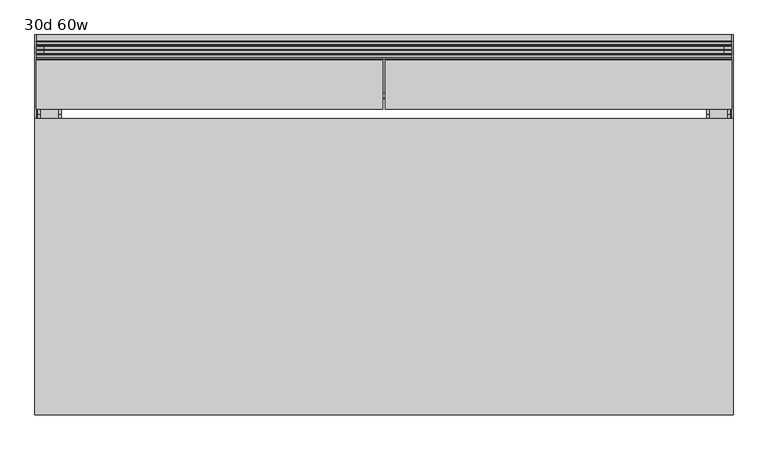
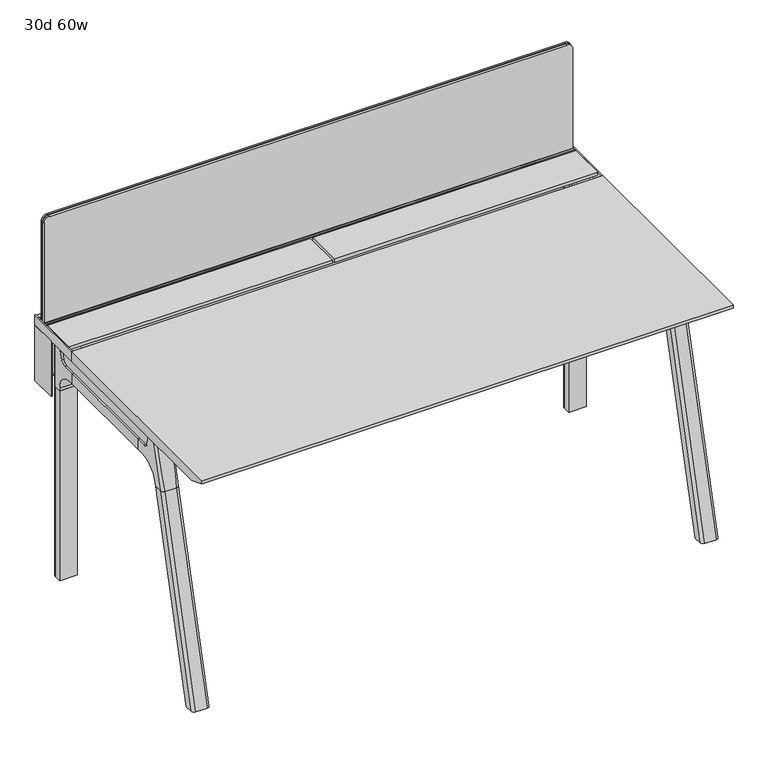
"""IFC4 building model written with IfcOpenShell, lengths in millimetres: furniture geometry, 30d 60w."""

from ifc_helpers import new_model, si_unit, point, frame, frame_2d, origin, place, context, project, spatial, polyline, circle_curve, ellipse_curve, trimmed, segment, composite_curve, outline, extrude, source, transform, mapped, element, save
from ifc_brep_helpers import plane_surface, cylinder_surface, revolved_surface, advanced_brep


def furniture_30d_60w_537d51d9(model_context):
    return source(origin(), model_context, "Body", "SolidModel", [
        extrude(outline(composite_curve([segment(polyline([(-171.6458172, 542.478661), (-293.447806, 542.478661)]), True, "CONTINUOUS"), segment(trimmed(circle_curve(frame_2d((-293.447806, 555.972411)), 13.49375), [point((-293.447806, 542.478661))], [point((-306.941556, 555.972411))], False, "CARTESIAN"), True, "CONTINUOUS"), segment(polyline([(-306.941556, 555.972411), (-306.941556, 579.126206), (-306.147806, 579.126206), (-306.147806, 555.972411)]), True, "CONTINUOUS"), segment(trimmed(circle_curve(frame_2d((-293.447806, 555.972411)), 12.7), [point((-306.147806, 555.972411))], [point((-293.447806, 543.272411))], True, "CARTESIAN"), True, "CONTINUOUS"), segment(polyline([(-293.447806, 543.272411), (-171.6458172, 543.272411), (-171.6458172, 542.478661)]), True, "CONTINUOUS")], self_intersect=False)), frame((-390.525, 0.0, 0.0), z_axis=(1.0, 0.0, 0.0), x_axis=(0.0, 1.0, 0.0)), (0.0, 0.0, 1.0), 1212.85),
        extrude(outline(polyline([(-167.2415802, 542.478661), (-171.6458172, 542.478661), (-171.6458172, 543.272411), (-168.0353302, 543.272411), (-168.0353302, 738.7080593), (-179.9097266, 738.7080593), (-179.9097266, 729.9768093), (-180.7034766, 729.9768093), (-180.7034766, 739.5018093), (-167.2415802, 739.5018093), (-167.2415802, 542.478661)])), frame((-542.925, 0.0, 0.0), z_axis=(1.0, 0.0, 0.0), x_axis=(0.0, 1.0, 0.0)), (0.0, 0.0, 1.0), 1517.65),
        extrude(outline(composite_curve([segment(polyline([(1054.89375, 955.675), (1054.89375, -523.875)]), True, "CONTINUOUS"), segment(trimmed(circle_curve(frame_2d((1039.01875, -523.875)), 15.875), [point((1054.89375, -523.875))], [point((1039.01875, -539.75))], False, "CARTESIAN"), True, "CONTINUOUS"), segment(polyline([(1039.01875, -539.75), (720.725, -539.75), (720.725, 971.55), (1039.01875, 971.55)]), True, "CONTINUOUS"), segment(trimmed(circle_curve(frame_2d((1039.01875, 955.675)), 15.875), [point((1039.01875, 971.55))], [point((1054.89375, 955.675))], False, "CARTESIAN"), True, "CONTINUOUS")], self_intersect=False)), frame((0.0, -201.3409766, 0.0), z_axis=(0.0, 1.0, 0.0), x_axis=(0.0, 0.0, 1.0)), (0.0, 0.0, 1.0), 3.175),
        extrude(outline(composite_curve([segment(polyline([(1058.06875, 958.85), (1058.06875, -527.05)]), True, "CONTINUOUS"), segment(trimmed(circle_curve(frame_2d((1042.19375, -527.05)), 15.875), [point((1058.06875, -527.05))], [point((1042.19375, -542.925))], False, "CARTESIAN"), True, "CONTINUOUS"), segment(polyline([(1042.19375, -542.925), (717.55, -542.925), (717.55, 974.725), (1042.19375, 974.725)]), True, "CONTINUOUS"), segment(trimmed(circle_curve(frame_2d((1042.19375, 958.85)), 15.875), [point((1042.19375, 974.725))], [point((1058.06875, 958.85))], False, "CARTESIAN"), True, "CONTINUOUS")], self_intersect=False)), frame((0.0, -198.1659766, 0.0), z_axis=(0.0, 1.0, 0.0), x_axis=(0.0, 0.0, 1.0)), (0.0, 0.0, 1.0), 5.55625),
        extrude(outline(composite_curve([segment(polyline([(1058.06875, 958.85), (1058.06875, -527.05)]), True, "CONTINUOUS"), segment(trimmed(circle_curve(frame_2d((1042.19375, -527.05)), 15.875), [point((1058.06875, -527.05))], [point((1042.19375, -542.925))], False, "CARTESIAN"), True, "CONTINUOUS"), segment(polyline([(1042.19375, -542.925), (717.55, -542.925), (717.55, 974.725), (1042.19375, 974.725)]), True, "CONTINUOUS"), segment(trimmed(circle_curve(frame_2d((1042.19375, 958.85)), 15.875), [point((1042.19375, 974.725))], [point((1058.06875, 958.85))], False, "CARTESIAN"), True, "CONTINUOUS")], self_intersect=False)), frame((0.0, -206.8972266, 0.0), z_axis=(0.0, 1.0, 0.0), x_axis=(0.0, 0.0, 1.0)), (0.0, 0.0, 1.0), 5.55625),
        extrude(outline(polyline([(-218.8034766, 715.9625), (-218.8034766, 741.3625), (-217.2159766, 741.3625), (-217.2159766, 720.725), (-210.8659766, 720.725), (-210.8659766, 741.3625), (-209.2784766, 741.3625), (-209.2784766, 717.55), (-190.2284766, 717.55), (-190.2284766, 741.3625), (-188.6409766, 741.3625), (-188.6409766, 720.725), (-182.2909766, 720.725), (-182.2909766, 741.3625), (-180.7034766, 741.3625), (-180.7034766, 715.9625), (-218.8034766, 715.9625)])), frame((-542.925, 0.0, 0.0), z_axis=(1.0, 0.0, 0.0), x_axis=(0.0, 1.0, 0.0)), (0.0, 0.0, 1.0), 1517.65),
        extrude(outline(composite_curve([segment(polyline([(-280.7159766, 711.2), (-289.7740774, 677.3947076)]), True, "CONTINUOUS"), segment(trimmed(circle_curve(frame_2d((-305.1081499, 681.5034599)), 15.875), [point((-289.7740774, 677.3947076))], [point((-305.1081499, 665.6284599))], False, "CARTESIAN"), True, "CONTINUOUS"), segment(polyline([(-305.1081499, 665.6284599), (-703.2050533, 665.6284599)]), True, "CONTINUOUS"), segment(trimmed(circle_curve(frame_2d((-703.2050533, 681.5034599)), 15.875), [point((-703.2050533, 665.6284599))], [point((-718.5391258, 677.3947076))], False, "CARTESIAN"), True, "CONTINUOUS"), segment(polyline([(-718.5391258, 677.3947076), (-727.5972266, 711.2), (-280.7159766, 711.2)]), True, "CONTINUOUS")], self_intersect=False)), frame((927.1, 0.0, 0.0), z_axis=(1.0, 0.0, 0.0), x_axis=(0.0, 1.0, 0.0)), (0.0, 0.0, 1.0), 38.1),
        extrude(outline(polyline([(971.55, -341.0409766), (971.55, -667.2722266), (920.75, -667.2722266), (920.75, -341.0409766), (971.55, -341.0409766)])), frame((0.0, 0.0, 635.6476591), z_axis=(0.0, 0.0, 1.0), x_axis=(1.0, 0.0, 0.0)), (0.0, 0.0, 1.0), 29.9808008),
        extrude(outline(composite_curve([segment(polyline([(-280.7159766, 711.2), (-289.7740774, 677.3947076)]), True, "CONTINUOUS"), segment(trimmed(circle_curve(frame_2d((-305.1081499, 681.5034599)), 15.875), [point((-289.7740774, 677.3947076))], [point((-305.1081499, 665.6284599))], False, "CARTESIAN"), True, "CONTINUOUS"), segment(polyline([(-305.1081499, 665.6284599), (-703.2050533, 665.6284599)]), True, "CONTINUOUS"), segment(trimmed(circle_curve(frame_2d((-703.2050533, 681.5034599)), 15.875), [point((-703.2050533, 665.6284599))], [point((-718.5391258, 677.3947076))], False, "CARTESIAN"), True, "CONTINUOUS"), segment(polyline([(-718.5391258, 677.3947076), (-727.5972266, 711.2), (-280.7159766, 711.2)]), True, "CONTINUOUS")], self_intersect=False)), frame((-533.4, 0.0, 0.0), z_axis=(1.0, 0.0, 0.0), x_axis=(0.0, 1.0, 0.0)), (0.0, 0.0, 1.0), 38.1),
        extrude(outline(polyline([(-488.95, -341.0409766), (-488.95, -667.2722266), (-539.75, -667.2722266), (-539.75, -341.0409766), (-488.95, -341.0409766)])), frame((0.0, 0.0, 635.6476591), z_axis=(0.0, 0.0, 1.0), x_axis=(1.0, 0.0, 0.0)), (0.0, 0.0, 1.0), 29.9808008),
        advanced_brep(
        [(971.55, -280.6696478, 711.2), (971.55, -289.7277486, 677.3947076), (971.55, -305.0618211, 665.6284599), (971.55, -341.0409766, 665.6284599), (971.55, -341.0409766, 635.6476591), (971.55, -329.9284766, 635.6476591), (971.55, -279.1284766, 584.8476591), (971.55, -279.1284766, 576.659375), (971.55, -256.9034766, 576.659375), (971.55, -256.9034766, 711.2), (920.75, -279.1284766, 576.659375), (920.75, -279.1284766, 584.8476591), (920.75, -329.9284766, 635.6476591), (920.75, -341.0409766, 635.6476591), (920.75, -341.0409766, 665.6284599), (920.75, -305.0618211, 665.6284599), (920.75, -289.7277486, 677.3947076), (920.75, -280.6696478, 711.2), (920.75, -256.9034766, 711.2), (920.75, -256.9034766, 576.659375), (962.025, -247.3784766, 711.2), (930.275, -247.3784766, 711.2), (930.275, -247.3784766, 576.659375), (962.025, -247.3784766, 576.659375)],
        [
            (0, 1),
            (1, 2, circle_curve(frame((971.55, -305.0618211, 681.5034599), z_axis=(-1.0, 0.0, 0.0), x_axis=(0.0, 1.0, 0.0)), 15.875)),
            (2, 3),
            (3, 4),
            (4, 5),
            (5, 6, circle_curve(frame((971.55, -329.9284766, 584.8476591), z_axis=(-1.0, 0.0, 0.0), x_axis=(0.0, 1.0, 0.0)), 50.8)),
            (6, 7),
            (7, 8),
            (8, 9),
            (9, 0),
            (10, 11),
            (11, 12, circle_curve(frame((920.75, -329.9284766, 584.8476591), z_axis=(1.0, 0.0, 0.0), x_axis=(0.0, 1.0, 0.0)), 50.8)),
            (12, 13),
            (13, 14),
            (14, 15),
            (15, 16, circle_curve(frame((920.75, -305.0618211, 681.5034599), z_axis=(1.0, 0.0, 0.0), x_axis=(0.0, 1.0, 0.0)), 15.875)),
            (16, 17),
            (17, 18),
            (18, 19),
            (19, 10),
            (17, 0),
            (9, 20, circle_curve(frame((962.025, -256.9034766, 711.2), z_axis=(0.0, 0.0, 1.0), x_axis=(-1.0, 0.0, 0.0)), 9.525)),
            (20, 21),
            (21, 18, circle_curve(frame((930.275, -256.9034766, 711.2), z_axis=(0.0, 0.0, 1.0), x_axis=(-1.0, 0.0, 0.0)), 9.525)),
            (16, 1),
            (15, 2),
            (14, 3),
            (13, 4),
            (12, 5),
            (7, 10),
            (19, 22, circle_curve(frame((930.275, -256.9034766, 576.659375), z_axis=(0.0, 0.0, -1.0), x_axis=(-1.0, 0.0, 0.0)), 9.525)),
            (22, 23),
            (23, 8, circle_curve(frame((962.025, -256.9034766, 576.659375), z_axis=(0.0, 0.0, -1.0), x_axis=(-1.0, 0.0, 0.0)), 9.525)),
            (11, 6),
            (23, 20),
            (21, 22),
        ],
        [
            plane_surface(frame((971.55, -240.451947, 711.2), z_axis=(1.0, 0.0, 0.0), x_axis=(0.0, -1.0, 0.0))),
            plane_surface(frame((920.75, -240.451947, 711.2), z_axis=(-1.0, 0.0, 0.0), x_axis=(0.0, 1.0, 0.0))),
            plane_surface(frame((971.55, -240.451947, 711.2), z_axis=(0.0, 0.0, 1.0), x_axis=(-1.0, 0.0, 0.0))),
            plane_surface(frame((971.55, -280.6696478, 711.2), z_axis=(0.0, -0.9659258262890683, 0.2588190451025207), x_axis=(-1.0, 0.0, 0.0))),
            revolved_surface(polyline([(920.75, -289.1868211, 681.5034599), (971.55, -289.1868211, 681.5034599)]), (920.75, -305.0618211, 681.5034599), (-1.0, 0.0, 0.0)),
            plane_surface(frame((971.55, -305.0618211, 665.6284599), z_axis=(0.0, 0.0, 1.0), x_axis=(-1.0, 0.0, 0.0))),
            plane_surface(frame((971.55, -341.0409766, 665.6284599), z_axis=(0.0, -1.0, 0.0), x_axis=(-1.0, 0.0, 0.0))),
            plane_surface(frame((971.55, -341.0409766, 635.6476591), z_axis=(0.0, 0.0, -1.0), x_axis=(-1.0, 0.0, 0.0))),
            plane_surface(frame((971.55, -279.1284766, 576.659375), z_axis=(0.0, 0.0, -1.0), x_axis=(-1.0, 0.0, 0.0))),
            revolved_surface(polyline([(920.75, -279.1284766, 584.8476591), (971.55, -279.1284766, 584.8476591)]), (920.75, -329.9284766, 584.8476591), (-1.0, 0.0, 0.0)),
            plane_surface(frame((971.55, -279.1284766, 584.8476591), z_axis=(0.0, -1.0, 0.0), x_axis=(-1.0, 0.0, 0.0))),
            cylinder_surface(frame((962.025, -256.9034766, 524.9807374), z_axis=(0.0, 0.0, -1.0), x_axis=(-1.0, 0.0, 0.0)), 9.525),
            cylinder_surface(frame((930.275, -256.9034766, 524.9807374), z_axis=(0.0, 0.0, -1.0), x_axis=(-1.0, 0.0, 0.0)), 9.525),
            plane_surface(frame((930.275, -247.3784766, 711.2), z_axis=(0.0, 1.0, 0.0), x_axis=(0.0, 0.0, -1.0))),
        ],
        [
            (0, [[1, 2, 3, 4, 5, 6, 7, 8, 9, 10]]),
            (1, [[11, 12, 13, 14, 15, 16, 17, 18, 19, 20]]),
            (2, [[21, -10, 22, 23, 24, -18]]),
            (3, [[-1, -21, -17, 25]]),
            (4, [[-2, -25, -16, 26]]),
            (5, [[-3, -26, -15, 27]]),
            (6, [[-4, -27, -14, 28]]),
            (7, [[-5, -28, -13, 29]]),
            (8, [[30, -20, 31, 32, 33, -8]]),
            (9, [[-6, -29, -12, 34]]),
            (10, [[-7, -34, -11, -30]]),
            (11, [[35, -22, -9, -33]]),
            (12, [[36, -31, -19, -24]]),
            (13, [[-35, -32, -36, -23]]),
        ],
    ),
        advanced_brep(
        [(920.75, -279.1284766, 576.659375), (971.55, -279.1284766, 576.659375), (971.55, -256.9034766, 576.659375), (962.025, -247.3784766, 576.659375), (930.275, -247.3784766, 576.659375), (920.75, -256.9034766, 576.659375), (920.75, -279.1284766, 0.0), (920.75, -256.9034766, 0.0), (930.275, -247.3784766, 0.0), (962.025, -247.3784766, 0.0), (971.55, -256.9034766, 0.0), (971.55, -279.1284766, 0.0), (971.55, -256.9034766, 524.9807374), (962.025, -247.3784766, 524.9807374), (930.275, -247.3784766, 524.9807374), (920.75, -256.9034766, 524.9807374)],
        [
            (0, 1),
            (1, 2),
            (2, 3, circle_curve(frame((962.025, -256.9034766, 576.659375), z_axis=(0.0, 0.0, 1.0), x_axis=(-1.0, 0.0, 0.0)), 9.525)),
            (3, 4),
            (4, 5, circle_curve(frame((930.275, -256.9034766, 576.659375), z_axis=(0.0, 0.0, 1.0), x_axis=(-1.0, 0.0, 0.0)), 9.525)),
            (5, 0),
            (6, 7),
            (7, 8, circle_curve(frame((930.275, -256.9034766, 0.0), z_axis=(0.0, 0.0, -1.0), x_axis=(-1.0, 0.0, 0.0)), 9.525)),
            (8, 9),
            (9, 10, circle_curve(frame((962.025, -256.9034766, 0.0), z_axis=(0.0, 0.0, -1.0), x_axis=(-1.0, 0.0, 0.0)), 9.525)),
            (10, 11),
            (11, 6),
            (0, 6),
            (11, 1),
            (10, 12),
            (12, 2),
            (9, 13),
            (13, 3),
            (8, 14),
            (14, 4),
            (7, 15),
            (15, 5),
        ],
        [
            plane_surface(frame((978.7462903, -279.1284766, 576.659375), z_axis=(0.0, 0.0, 1.0), x_axis=(1.0, 0.0, 0.0))),
            plane_surface(frame((978.7462903, -279.1284766, 0.0), z_axis=(0.0, 0.0, -1.0), x_axis=(-1.0, 0.0, 0.0))),
            plane_surface(frame((920.75, -279.1284766, 576.659375), z_axis=(0.0, -1.0, 0.0), x_axis=(0.0, 0.0, -1.0))),
            plane_surface(frame((971.55, -279.1284766, 576.659375), z_axis=(1.0, 0.0, 0.0), x_axis=(0.0, 0.0, -1.0))),
            cylinder_surface(frame((962.025, -256.9034766, 0.0), z_axis=(0.0, 0.0, 1.0), x_axis=(-1.0, 0.0, 0.0)), 9.525),
            plane_surface(frame((962.025, -247.3784766, 576.659375), z_axis=(0.0, 1.0, 0.0), x_axis=(0.0, 0.0, -1.0))),
            cylinder_surface(frame((930.275, -256.9034766, 0.0), z_axis=(0.0, 0.0, 1.0), x_axis=(-1.0, 0.0, 0.0)), 9.525),
            plane_surface(frame((920.75, -256.9034766, 576.659375), z_axis=(-1.0, 0.0, 0.0), x_axis=(0.0, 0.0, -1.0))),
        ],
        [
            (0, [[1, 2, 3, 4, 5, 6]]),
            (1, [[7, 8, 9, 10, 11, 12]]),
            (2, [[-1, 13, -12, 14]]),
            (3, [[-2, -14, -11, 15, 16]]),
            (4, [[-3, -16, -15, -10, 17, 18]]),
            (5, [[-4, -18, -17, -9, 19, 20]]),
            (6, [[-5, -20, -19, -8, 21, 22]]),
            (7, [[-6, -22, -21, -7, -13]]),
        ],
    ),
        advanced_brep(
        [(-488.95, -280.6696478, 711.2), (-488.95, -289.7277486, 677.3947076), (-488.95, -305.0618211, 665.6284599), (-488.95, -341.0409766, 665.6284599), (-488.95, -341.0409766, 635.6476591), (-488.95, -329.9284766, 635.6476591), (-488.95, -279.1284766, 584.8476591), (-488.95, -279.1284766, 576.659375), (-488.95, -256.9034766, 576.659375), (-488.95, -256.9034766, 711.2), (-539.75, -279.1284766, 576.659375), (-539.75, -279.1284766, 584.8476591), (-539.75, -329.9284766, 635.6476591), (-539.75, -341.0409766, 635.6476591), (-539.75, -341.0409766, 665.6284599), (-539.75, -305.0618211, 665.6284599), (-539.75, -289.7277486, 677.3947076), (-539.75, -280.6696478, 711.2), (-539.75, -256.9034766, 711.2), (-539.75, -256.9034766, 576.659375), (-498.475, -247.3784766, 711.2), (-530.225, -247.3784766, 711.2), (-530.225, -247.3784766, 576.659375), (-498.475, -247.3784766, 576.659375)],
        [
            (0, 1),
            (1, 2, circle_curve(frame((-488.95, -305.0618211, 681.5034599), z_axis=(-1.0, 0.0, 0.0), x_axis=(0.0, 1.0, 0.0)), 15.875)),
            (2, 3),
            (3, 4),
            (4, 5),
            (5, 6, circle_curve(frame((-488.95, -329.9284766, 584.8476591), z_axis=(-1.0, 0.0, 0.0), x_axis=(0.0, 1.0, 0.0)), 50.8)),
            (6, 7),
            (7, 8),
            (8, 9),
            (9, 0),
            (10, 11),
            (11, 12, circle_curve(frame((-539.75, -329.9284766, 584.8476591), z_axis=(1.0, 0.0, 0.0), x_axis=(0.0, 1.0, 0.0)), 50.8)),
            (12, 13),
            (13, 14),
            (14, 15),
            (15, 16, circle_curve(frame((-539.75, -305.0618211, 681.5034599), z_axis=(1.0, 0.0, 0.0), x_axis=(0.0, 1.0, 0.0)), 15.875)),
            (16, 17),
            (17, 18),
            (18, 19),
            (19, 10),
            (17, 0),
            (9, 20, circle_curve(frame((-498.475, -256.9034766, 711.2), z_axis=(0.0, 0.0, 1.0), x_axis=(-1.0, 0.0, 0.0)), 9.525)),
            (20, 21),
            (21, 18, circle_curve(frame((-530.225, -256.9034766, 711.2), z_axis=(0.0, 0.0, 1.0), x_axis=(-1.0, 0.0, 0.0)), 9.525)),
            (16, 1),
            (15, 2),
            (14, 3),
            (13, 4),
            (12, 5),
            (7, 10),
            (19, 22, circle_curve(frame((-530.225, -256.9034766, 576.659375), z_axis=(0.0, 0.0, -1.0), x_axis=(-1.0, 0.0, 0.0)), 9.525)),
            (22, 23),
            (23, 8, circle_curve(frame((-498.475, -256.9034766, 576.659375), z_axis=(0.0, 0.0, -1.0), x_axis=(-1.0, 0.0, 0.0)), 9.525)),
            (11, 6),
            (23, 20),
            (21, 22),
        ],
        [
            plane_surface(frame((-488.95, -240.451947, 711.2), z_axis=(1.0, 0.0, 0.0), x_axis=(0.0, -1.0, 0.0))),
            plane_surface(frame((-539.75, -240.451947, 711.2), z_axis=(-1.0, 0.0, 0.0), x_axis=(0.0, 1.0, 0.0))),
            plane_surface(frame((-488.95, -240.451947, 711.2), z_axis=(0.0, 0.0, 1.0), x_axis=(-1.0, 0.0, 0.0))),
            plane_surface(frame((-488.95, -280.6696478, 711.2), z_axis=(0.0, -0.9659258262890683, 0.2588190451025207), x_axis=(-1.0, 0.0, 0.0))),
            revolved_surface(polyline([(-539.75, -289.1868211, 681.5034599), (-488.95, -289.1868211, 681.5034599)]), (-539.75, -305.0618211, 681.5034599), (-1.0, 0.0, 0.0)),
            plane_surface(frame((-488.95, -305.0618211, 665.6284599), z_axis=(0.0, 0.0, 1.0), x_axis=(-1.0, 0.0, 0.0))),
            plane_surface(frame((-488.95, -341.0409766, 665.6284599), z_axis=(0.0, -1.0, 0.0), x_axis=(-1.0, 0.0, 0.0))),
            plane_surface(frame((-488.95, -341.0409766, 635.6476591), z_axis=(0.0, 0.0, -1.0), x_axis=(-1.0, 0.0, 0.0))),
            plane_surface(frame((-488.95, -279.1284766, 576.659375), z_axis=(0.0, 0.0, -1.0), x_axis=(-1.0, 0.0, 0.0))),
            revolved_surface(polyline([(-539.75, -279.1284766, 584.8476591), (-488.95, -279.1284766, 584.8476591)]), (-539.75, -329.9284766, 584.8476591), (-1.0, 0.0, 0.0)),
            plane_surface(frame((-488.95, -279.1284766, 584.8476591), z_axis=(0.0, -1.0, 0.0), x_axis=(-1.0, 0.0, 0.0))),
            cylinder_surface(frame((-498.475, -256.9034766, 524.9807374), z_axis=(0.0, 0.0, -1.0), x_axis=(-1.0, 0.0, 0.0)), 9.525),
            cylinder_surface(frame((-530.225, -256.9034766, 524.9807374), z_axis=(0.0, 0.0, -1.0), x_axis=(-1.0, 0.0, 0.0)), 9.525),
            plane_surface(frame((-530.225, -247.3784766, 711.2), z_axis=(0.0, 1.0, 0.0), x_axis=(0.0, 0.0, -1.0))),
        ],
        [
            (0, [[1, 2, 3, 4, 5, 6, 7, 8, 9, 10]]),
            (1, [[11, 12, 13, 14, 15, 16, 17, 18, 19, 20]]),
            (2, [[21, -10, 22, 23, 24, -18]]),
            (3, [[-1, -21, -17, 25]]),
            (4, [[-2, -25, -16, 26]]),
            (5, [[-3, -26, -15, 27]]),
            (6, [[-4, -27, -14, 28]]),
            (7, [[-5, -28, -13, 29]]),
            (8, [[30, -20, 31, 32, 33, -8]]),
            (9, [[-6, -29, -12, 34]]),
            (10, [[-7, -34, -11, -30]]),
            (11, [[35, -22, -9, -33]]),
            (12, [[36, -31, -19, -24]]),
            (13, [[-35, -32, -36, -23]]),
        ],
    ),
        advanced_brep(
        [(-539.75, -279.1284766, 576.659375), (-488.95, -279.1284766, 576.659375), (-488.95, -256.9034766, 576.659375), (-498.475, -247.3784766, 576.659375), (-530.225, -247.3784766, 576.659375), (-539.75, -256.9034766, 576.659375), (-539.75, -279.1284766, 0.0), (-539.75, -256.9034766, 0.0), (-530.225, -247.3784766, 0.0), (-498.475, -247.3784766, 0.0), (-488.95, -256.9034766, 0.0), (-488.95, -279.1284766, 0.0), (-488.95, -256.9034766, 524.9807374), (-498.475, -247.3784766, 524.9807374), (-530.225, -247.3784766, 524.9807374), (-539.75, -256.9034766, 524.9807374)],
        [
            (0, 1),
            (1, 2),
            (2, 3, circle_curve(frame((-498.475, -256.9034766, 576.659375), z_axis=(0.0, 0.0, 1.0), x_axis=(-1.0, 0.0, 0.0)), 9.525)),
            (3, 4),
            (4, 5, circle_curve(frame((-530.225, -256.9034766, 576.659375), z_axis=(0.0, 0.0, 1.0), x_axis=(-1.0, 0.0, 0.0)), 9.525)),
            (5, 0),
            (6, 7),
            (7, 8, circle_curve(frame((-530.225, -256.9034766, 0.0), z_axis=(0.0, 0.0, -1.0), x_axis=(-1.0, 0.0, 0.0)), 9.525)),
            (8, 9),
            (9, 10, circle_curve(frame((-498.475, -256.9034766, 0.0), z_axis=(0.0, 0.0, -1.0), x_axis=(-1.0, 0.0, 0.0)), 9.525)),
            (10, 11),
            (11, 6),
            (0, 6),
            (11, 1),
            (10, 12),
            (12, 2),
            (9, 13),
            (13, 3),
            (8, 14),
            (14, 4),
            (7, 15),
            (15, 5),
        ],
        [
            plane_surface(frame((-481.7537097, -279.1284766, 576.659375), z_axis=(0.0, 0.0, 1.0), x_axis=(1.0, 0.0, 0.0))),
            plane_surface(frame((-481.7537097, -279.1284766, 0.0), z_axis=(0.0, 0.0, -1.0), x_axis=(-1.0, 0.0, 0.0))),
            plane_surface(frame((-539.75, -279.1284766, 576.659375), z_axis=(0.0, -1.0, 0.0), x_axis=(0.0, 0.0, -1.0))),
            plane_surface(frame((-488.95, -279.1284766, 576.659375), z_axis=(1.0, 0.0, 0.0), x_axis=(0.0, 0.0, -1.0))),
            cylinder_surface(frame((-498.475, -256.9034766, 0.0), z_axis=(0.0, 0.0, 1.0), x_axis=(-1.0, 0.0, 0.0)), 9.525),
            plane_surface(frame((-498.475, -247.3784766, 576.659375), z_axis=(0.0, 1.0, 0.0), x_axis=(0.0, 0.0, -1.0))),
            cylinder_surface(frame((-530.225, -256.9034766, 0.0), z_axis=(0.0, 0.0, 1.0), x_axis=(-1.0, 0.0, 0.0)), 9.525),
            plane_surface(frame((-539.75, -256.9034766, 576.659375), z_axis=(-1.0, 0.0, 0.0), x_axis=(0.0, 0.0, -1.0))),
        ],
        [
            (0, [[1, 2, 3, 4, 5, 6]]),
            (1, [[7, 8, 9, 10, 11, 12]]),
            (2, [[-1, 13, -12, 14]]),
            (3, [[-2, -14, -11, 15, 16]]),
            (4, [[-3, -16, -15, -10, 17, 18]]),
            (5, [[-4, -18, -17, -9, 19, 20]]),
            (6, [[-5, -20, -19, -8, 21, 22]]),
            (7, [[-6, -22, -21, -7, -13]]),
        ],
    ),
        advanced_brep(
        [(920.75, -721.2935553, 711.2), (920.75, -712.2354545, 677.3947076), (920.75, -696.901382, 665.6284599), (920.75, -667.2722266, 665.6284599), (920.75, -667.2722266, 635.6476591), (920.75, -690.1434588, 635.6476591), (920.75, -754.5465633, 586.2294189), (920.75, -757.1047754, 576.6820411), (920.75, -778.2087453, 576.6820411), (920.75, -742.7601017, 711.2), (971.55, -757.1047754, 576.6820411), (971.55, -754.5465633, 586.2294189), (971.55, -690.1434588, 635.6476591), (971.55, -667.2722266, 635.6476591), (971.55, -667.2722266, 665.6284599), (971.55, -696.901382, 665.6284599), (971.55, -712.2354545, 677.3947076), (971.55, -721.2935553, 711.2), (971.55, -742.7601017, 711.2), (971.55, -778.2087453, 576.6820411), (927.0138162, -752.0149462, 711.2), (965.2861838, -752.0149462, 711.2), (962.025, -788.0589247, 576.6820411), (930.275, -788.0589247, 576.6820411)],
        [
            (0, 1),
            (1, 2, circle_curve(frame((920.75, -696.901382, 681.5034599), z_axis=(1.0, 0.0, 0.0), x_axis=(0.0, -1.0, 0.0)), 15.875)),
            (2, 3),
            (3, 4),
            (4, 5),
            (5, 6, circle_curve(frame((920.75, -690.1434588, 568.9726591), z_axis=(1.0, 0.0, 0.0), x_axis=(0.0, -1.0, 0.0)), 66.675)),
            (6, 7),
            (7, 8),
            (8, 9),
            (9, 0),
            (10, 11),
            (11, 12, circle_curve(frame((971.55, -690.1434588, 568.9726591), z_axis=(-1.0, 0.0, 0.0), x_axis=(0.0, -1.0, 0.0)), 66.675)),
            (12, 13),
            (13, 14),
            (14, 15),
            (15, 16, circle_curve(frame((971.55, -696.901382, 681.5034599), z_axis=(-1.0, 0.0, 0.0), x_axis=(0.0, -1.0, 0.0)), 15.875)),
            (16, 17),
            (17, 18),
            (18, 19),
            (19, 10),
            (17, 0),
            (9, 20, ellipse_curve(frame((930.275, -742.7601017, 711.2), z_axis=(0.0, 0.0, 1.0), x_axis=(0.0, -1.0, 0.0)), 9.8501793, 9.525)),
            (20, 21),
            (21, 18, ellipse_curve(frame((962.025, -742.7601017, 711.2), z_axis=(0.0, 0.0, 1.0), x_axis=(0.0, -1.0, 0.0)), 9.8501793, 9.525)),
            (16, 1),
            (15, 2),
            (14, 3),
            (13, 4),
            (12, 5),
            (11, 6),
            (10, 7),
            (19, 22, ellipse_curve(frame((962.025, -778.2087453, 576.6820411), z_axis=(0.0, 0.0, -1.0), x_axis=(0.0, -1.0, 0.0)), 9.8501793, 9.525)),
            (22, 23),
            (23, 8, ellipse_curve(frame((930.275, -778.2087453, 576.6820411), z_axis=(0.0, 0.0, -1.0), x_axis=(0.0, -1.0, 0.0)), 9.8501793, 9.525)),
            (20, 23, ellipse_curve(frame((930.275, -191.6892106, 2802.3641142), z_axis=(0.0, -0.9659258262890684, 0.2588190451025206), x_axis=(0.0, -0.2588190451025206, -0.9659258262890684)), 2304.1956354, 9.525)),
            (22, 21, ellipse_curve(frame((962.025, -191.6892106, 2802.3641142), z_axis=(0.0, -0.9659258262890684, 0.2588190451025206), x_axis=(0.0, -0.2588190451025206, -0.9659258262890684)), 2304.1956354, 9.525)),
        ],
        [
            plane_surface(frame((920.75, -752.0149462, 711.2), z_axis=(-1.0, 0.0, 0.0), x_axis=(0.0, 1.0, 0.0))),
            plane_surface(frame((971.55, -752.0149462, 711.2), z_axis=(1.0, 0.0, 0.0), x_axis=(0.0, -1.0, 0.0))),
            plane_surface(frame((920.75, -752.0149462, 711.2), z_axis=(0.0, 0.0, 1.0), x_axis=(1.0, 0.0, 0.0))),
            plane_surface(frame((920.75, -721.2935553, 711.2), z_axis=(0.0, 0.9659258262890683, 0.2588190451025207), x_axis=(1.0, 0.0, 0.0))),
            revolved_surface(polyline([(971.55, -712.776382, 681.5034599), (920.75, -712.776382, 681.5034599)]), (971.55, -696.901382, 681.5034599), (1.0, 0.0, 0.0)),
            plane_surface(frame((920.75, -696.901382, 665.6284599), z_axis=(0.0, 0.0, 1.0), x_axis=(1.0, 0.0, 0.0))),
            plane_surface(frame((920.75, -667.2722266, 665.6284599), z_axis=(0.0, 1.0, 0.0), x_axis=(1.0, 0.0, 0.0))),
            plane_surface(frame((920.75, -667.2722266, 635.6476591), z_axis=(0.0, 0.0, -1.0), x_axis=(1.0, 0.0, 0.0))),
            revolved_surface(polyline([(971.55, -756.8184587999999, 568.9726591), (920.75, -756.8184587999999, 568.9726591)]), (971.55, -690.1434588, 568.9726591), (1.0, 0.0, 0.0)),
            plane_surface(frame((920.75, -754.5465633, 586.2294189), z_axis=(0.0, 0.9659258262890693, -0.25881904510251696), x_axis=(1.0, 0.0, 0.0))),
            plane_surface(frame((920.75, -757.1047754, 576.6820411), z_axis=(0.0, 0.0, -1.0), x_axis=(1.0, 0.0, 0.0))),
            plane_surface(frame((920.75, -788.0589247, 576.6820411), z_axis=(0.0, -0.9659258262890684, 0.2588190451025206), x_axis=(1.0, 0.0, 0.0))),
            cylinder_surface(frame((930.275, -930.8176402, -2.4271979), z_axis=(0.0, -0.25482392474081483, -0.966987470125486), x_axis=(1.0, 0.0, 0.0)), 9.525),
            cylinder_surface(frame((962.025, -930.8176402, -2.4271979), z_axis=(0.0, -0.25482392474081483, -0.966987470125486), x_axis=(1.0, 0.0, 0.0)), 9.525),
        ],
        [
            (0, [[1, 2, 3, 4, 5, 6, 7, 8, 9, 10]]),
            (1, [[11, 12, 13, 14, 15, 16, 17, 18, 19, 20]]),
            (2, [[21, -10, 22, 23, 24, -18]]),
            (3, [[-1, -21, -17, 25]]),
            (4, [[-2, -25, -16, 26]]),
            (5, [[-3, -26, -15, 27]]),
            (6, [[-4, -27, -14, 28]]),
            (7, [[-5, -28, -13, 29]]),
            (8, [[-6, -29, -12, 30]]),
            (9, [[-7, -30, -11, 31]]),
            (10, [[-31, -20, 32, 33, 34, -8]]),
            (11, [[-23, 35, -33, 36]]),
            (12, [[-9, -34, -35, -22]]),
            (13, [[-19, -24, -36, -32]]),
        ],
    ),
        advanced_brep(
        [(920.75, -757.1047754, 576.6820411), (920.75, -909.0740466, 0.0), (920.75, -930.1780165, 0.0), (920.75, -778.2087453, 576.6820411), (971.55, -909.0740466, 0.0), (971.55, -757.1047754, 576.6820411), (971.55, -778.2087453, 576.6820411), (971.55, -930.1780165, 0.0), (930.275, -788.0589247, 576.6820411), (962.025, -788.0589247, 576.6820411), (962.025, -940.0281958, 0.0), (930.275, -940.0281958, 0.0)],
        [
            (0, 1),
            (1, 2),
            (2, 3),
            (3, 0),
            (4, 5),
            (5, 6),
            (6, 7),
            (7, 4),
            (5, 0),
            (3, 8, ellipse_curve(frame((930.275, -778.2087453, 576.6820411), z_axis=(0.0, 0.0, 1.0), x_axis=(0.0, -1.0, 0.0)), 9.8501793, 9.525)),
            (8, 9),
            (9, 6, ellipse_curve(frame((962.025, -778.2087453, 576.6820411), z_axis=(0.0, 0.0, 1.0), x_axis=(0.0, -1.0, 0.0)), 9.8501793, 9.525)),
            (4, 1),
            (7, 10, ellipse_curve(frame((962.025, -930.1780165, 0.0), z_axis=(0.0, 0.0, -1.0), x_axis=(0.0, -1.0, 0.0)), 9.8501793, 9.525)),
            (10, 11),
            (11, 2, ellipse_curve(frame((930.275, -930.1780165, 0.0), z_axis=(0.0, 0.0, -1.0), x_axis=(0.0, -1.0, 0.0)), 9.8501793, 9.525)),
            (8, 11),
            (10, 9),
        ],
        [
            plane_surface(frame((920.75, -788.0589247, 576.6820411), z_axis=(-1.0, 0.0, 0.0), x_axis=(0.0, 1.0, 0.0))),
            plane_surface(frame((971.55, -788.0589247, 576.6820411), z_axis=(1.0, 0.0, 0.0), x_axis=(0.0, -1.0, 0.0))),
            plane_surface(frame((920.75, -788.0589247, 576.6820411), z_axis=(0.0, 0.0, 1.0), x_axis=(1.0, 0.0, 0.0))),
            plane_surface(frame((920.75, -757.1047754, 576.6820411), z_axis=(0.0, 0.9669874701254844, -0.2548239247408208), x_axis=(1.0, 0.0, 0.0))),
            plane_surface(frame((920.75, -909.0740466, 0.0), z_axis=(0.0, 0.0, -1.0), x_axis=(1.0, 0.0, 0.0))),
            plane_surface(frame((920.75, -940.0281958, 0.0), z_axis=(0.0, -0.9669874701254855, 0.2548239247408166), x_axis=(1.0, 0.0, 0.0))),
            cylinder_surface(frame((930.275, -930.8176402, -2.4271979), z_axis=(0.0, -0.25482392474081483, -0.966987470125486), x_axis=(1.0, 0.0, 0.0)), 9.525),
            cylinder_surface(frame((962.025, -930.8176402, -2.4271979), z_axis=(0.0, -0.25482392474081483, -0.966987470125486), x_axis=(1.0, 0.0, 0.0)), 9.525),
        ],
        [
            (0, [[1, 2, 3, 4]]),
            (1, [[5, 6, 7, 8]]),
            (2, [[9, -4, 10, 11, 12, -6]]),
            (3, [[-1, -9, -5, 13]]),
            (4, [[-13, -8, 14, 15, 16, -2]]),
            (5, [[-11, 17, -15, 18]]),
            (6, [[-3, -16, -17, -10]]),
            (7, [[-7, -12, -18, -14]]),
        ],
    ),
        advanced_brep(
        [(-539.75, -721.2935553, 711.2), (-539.75, -712.2354545, 677.3947076), (-539.75, -696.901382, 665.6284599), (-539.75, -667.2722266, 665.6284599), (-539.75, -667.2722266, 635.6476591), (-539.75, -690.1434588, 635.6476591), (-539.75, -754.5465633, 586.2294189), (-539.75, -757.1047754, 576.6820411), (-539.75, -778.2087453, 576.6820411), (-539.75, -742.7601017, 711.2), (-488.95, -757.1047754, 576.6820411), (-488.95, -754.5465633, 586.2294189), (-488.95, -690.1434588, 635.6476591), (-488.95, -667.2722266, 635.6476591), (-488.95, -667.2722266, 665.6284599), (-488.95, -696.901382, 665.6284599), (-488.95, -712.2354545, 677.3947076), (-488.95, -721.2935553, 711.2), (-488.95, -742.7601017, 711.2), (-488.95, -778.2087453, 576.6820411), (-533.4861838, -752.0149462, 711.2), (-495.2138162, -752.0149462, 711.2), (-498.475, -788.0589247, 576.6820411), (-530.225, -788.0589247, 576.6820411)],
        [
            (0, 1),
            (1, 2, circle_curve(frame((-539.75, -696.901382, 681.5034599), z_axis=(1.0, 0.0, 0.0), x_axis=(0.0, -1.0, 0.0)), 15.875)),
            (2, 3),
            (3, 4),
            (4, 5),
            (5, 6, circle_curve(frame((-539.75, -690.1434588, 568.9726591), z_axis=(1.0, 0.0, 0.0), x_axis=(0.0, -1.0, 0.0)), 66.675)),
            (6, 7),
            (7, 8),
            (8, 9),
            (9, 0),
            (10, 11),
            (11, 12, circle_curve(frame((-488.95, -690.1434588, 568.9726591), z_axis=(-1.0, 0.0, 0.0), x_axis=(0.0, -1.0, 0.0)), 66.675)),
            (12, 13),
            (13, 14),
            (14, 15),
            (15, 16, circle_curve(frame((-488.95, -696.901382, 681.5034599), z_axis=(-1.0, 0.0, 0.0), x_axis=(0.0, -1.0, 0.0)), 15.875)),
            (16, 17),
            (17, 18),
            (18, 19),
            (19, 10),
            (17, 0),
            (9, 20, ellipse_curve(frame((-530.225, -742.7601017, 711.2), z_axis=(0.0, 0.0, 1.0), x_axis=(0.0, -1.0, 0.0)), 9.8501793, 9.525)),
            (20, 21),
            (21, 18, ellipse_curve(frame((-498.475, -742.7601017, 711.2), z_axis=(0.0, 0.0, 1.0), x_axis=(0.0, -1.0, 0.0)), 9.8501793, 9.525)),
            (16, 1),
            (15, 2),
            (14, 3),
            (13, 4),
            (12, 5),
            (11, 6),
            (10, 7),
            (19, 22, ellipse_curve(frame((-498.475, -778.2087453, 576.6820411), z_axis=(0.0, 0.0, -1.0), x_axis=(0.0, -1.0, 0.0)), 9.8501793, 9.525)),
            (22, 23),
            (23, 8, ellipse_curve(frame((-530.225, -778.2087453, 576.6820411), z_axis=(0.0, 0.0, -1.0), x_axis=(0.0, -1.0, 0.0)), 9.8501793, 9.525)),
            (20, 23, ellipse_curve(frame((-530.225, -191.6892106, 2802.3641142), z_axis=(0.0, -0.9659258262890684, 0.2588190451025206), x_axis=(0.0, -0.2588190451025206, -0.9659258262890684)), 2304.1956354, 9.525)),
            (22, 21, ellipse_curve(frame((-498.475, -191.6892106, 2802.3641142), z_axis=(0.0, -0.9659258262890684, 0.2588190451025206), x_axis=(0.0, -0.2588190451025206, -0.9659258262890684)), 2304.1956354, 9.525)),
        ],
        [
            plane_surface(frame((-539.75, -752.0149462, 711.2), z_axis=(-1.0, 0.0, 0.0), x_axis=(0.0, 1.0, 0.0))),
            plane_surface(frame((-488.95, -752.0149462, 711.2), z_axis=(1.0, 0.0, 0.0), x_axis=(0.0, -1.0, 0.0))),
            plane_surface(frame((-539.75, -752.0149462, 711.2), z_axis=(0.0, 0.0, 1.0), x_axis=(1.0, 0.0, 0.0))),
            plane_surface(frame((-539.75, -721.2935553, 711.2), z_axis=(0.0, 0.9659258262890683, 0.2588190451025207), x_axis=(1.0, 0.0, 0.0))),
            revolved_surface(polyline([(-488.95, -712.776382, 681.5034599), (-539.75, -712.776382, 681.5034599)]), (-488.95, -696.901382, 681.5034599), (1.0, 0.0, 0.0)),
            plane_surface(frame((-539.75, -696.901382, 665.6284599), z_axis=(0.0, 0.0, 1.0), x_axis=(1.0, 0.0, 0.0))),
            plane_surface(frame((-539.75, -667.2722266, 665.6284599), z_axis=(0.0, 1.0, 0.0), x_axis=(1.0, 0.0, 0.0))),
            plane_surface(frame((-539.75, -667.2722266, 635.6476591), z_axis=(0.0, 0.0, -1.0), x_axis=(1.0, 0.0, 0.0))),
            revolved_surface(polyline([(-488.95, -756.8184587999999, 568.9726591), (-539.75, -756.8184587999999, 568.9726591)]), (-488.95, -690.1434588, 568.9726591), (1.0, 0.0, 0.0)),
            plane_surface(frame((-539.75, -754.5465633, 586.2294189), z_axis=(0.0, 0.9659258262890693, -0.25881904510251696), x_axis=(1.0, 0.0, 0.0))),
            plane_surface(frame((-539.75, -757.1047754, 576.6820411), z_axis=(0.0, 0.0, -1.0), x_axis=(1.0, 0.0, 0.0))),
            plane_surface(frame((-539.75, -788.0589247, 576.6820411), z_axis=(0.0, -0.9659258262890684, 0.2588190451025206), x_axis=(1.0, 0.0, 0.0))),
            cylinder_surface(frame((-530.225, -930.8176402, -2.4271979), z_axis=(0.0, -0.25482392474081483, -0.966987470125486), x_axis=(1.0, 0.0, 0.0)), 9.525),
            cylinder_surface(frame((-498.475, -930.8176402, -2.4271979), z_axis=(0.0, -0.25482392474081483, -0.966987470125486), x_axis=(1.0, 0.0, 0.0)), 9.525),
        ],
        [
            (0, [[1, 2, 3, 4, 5, 6, 7, 8, 9, 10]]),
            (1, [[11, 12, 13, 14, 15, 16, 17, 18, 19, 20]]),
            (2, [[21, -10, 22, 23, 24, -18]]),
            (3, [[-1, -21, -17, 25]]),
            (4, [[-2, -25, -16, 26]]),
            (5, [[-3, -26, -15, 27]]),
            (6, [[-4, -27, -14, 28]]),
            (7, [[-5, -28, -13, 29]]),
            (8, [[-6, -29, -12, 30]]),
            (9, [[-7, -30, -11, 31]]),
            (10, [[-31, -20, 32, 33, 34, -8]]),
            (11, [[-23, 35, -33, 36]]),
            (12, [[-9, -34, -35, -22]]),
            (13, [[-19, -24, -36, -32]]),
        ],
    ),
        advanced_brep(
        [(-539.75, -757.1047754, 576.6820411), (-539.75, -909.0740466, 0.0), (-539.75, -930.1780165, 0.0), (-539.75, -778.2087453, 576.6820411), (-488.95, -909.0740466, 0.0), (-488.95, -757.1047754, 576.6820411), (-488.95, -778.2087453, 576.6820411), (-488.95, -930.1780165, 0.0), (-530.225, -788.0589247, 576.6820411), (-498.475, -788.0589247, 576.6820411), (-498.475, -940.0281958, 0.0), (-530.225, -940.0281958, 0.0)],
        [
            (0, 1),
            (1, 2),
            (2, 3),
            (3, 0),
            (4, 5),
            (5, 6),
            (6, 7),
            (7, 4),
            (5, 0),
            (3, 8, ellipse_curve(frame((-530.225, -778.2087453, 576.6820411), z_axis=(0.0, 0.0, 1.0), x_axis=(0.0, -1.0, 0.0)), 9.8501793, 9.525)),
            (8, 9),
            (9, 6, ellipse_curve(frame((-498.475, -778.2087453, 576.6820411), z_axis=(0.0, 0.0, 1.0), x_axis=(0.0, -1.0, 0.0)), 9.8501793, 9.525)),
            (4, 1),
            (7, 10, ellipse_curve(frame((-498.475, -930.1780165, 0.0), z_axis=(0.0, 0.0, -1.0), x_axis=(0.0, -1.0, 0.0)), 9.8501793, 9.525)),
            (10, 11),
            (11, 2, ellipse_curve(frame((-530.225, -930.1780165, 0.0), z_axis=(0.0, 0.0, -1.0), x_axis=(0.0, -1.0, 0.0)), 9.8501793, 9.525)),
            (8, 11),
            (10, 9),
        ],
        [
            plane_surface(frame((-539.75, -788.0589247, 576.6820411), z_axis=(-1.0, 0.0, 0.0), x_axis=(0.0, 1.0, 0.0))),
            plane_surface(frame((-488.95, -788.0589247, 576.6820411), z_axis=(1.0, 0.0, 0.0), x_axis=(0.0, -1.0, 0.0))),
            plane_surface(frame((-539.75, -788.0589247, 576.6820411), z_axis=(0.0, 0.0, 1.0), x_axis=(1.0, 0.0, 0.0))),
            plane_surface(frame((-539.75, -757.1047754, 576.6820411), z_axis=(0.0, 0.9669874701254844, -0.2548239247408208), x_axis=(1.0, 0.0, 0.0))),
            plane_surface(frame((-539.75, -909.0740466, 0.0), z_axis=(0.0, 0.0, -1.0), x_axis=(1.0, 0.0, 0.0))),
            plane_surface(frame((-539.75, -940.0281958, 0.0), z_axis=(0.0, -0.9669874701254855, 0.2548239247408166), x_axis=(1.0, 0.0, 0.0))),
            cylinder_surface(frame((-530.225, -930.8176402, -2.4271979), z_axis=(0.0, -0.25482392474081483, -0.966987470125486), x_axis=(1.0, 0.0, 0.0)), 9.525),
            cylinder_surface(frame((-498.475, -930.8176402, -2.4271979), z_axis=(0.0, -0.25482392474081483, -0.966987470125486), x_axis=(1.0, 0.0, 0.0)), 9.525),
        ],
        [
            (0, [[1, 2, 3, 4]]),
            (1, [[5, 6, 7, 8]]),
            (2, [[9, -4, 10, 11, 12, -6]]),
            (3, [[-1, -9, -5, 13]]),
            (4, [[-13, -8, 14, 15, 16, -2]]),
            (5, [[-11, 17, -15, 18]]),
            (6, [[-3, -16, -17, -10]]),
            (7, [[-7, -12, -18, -14]]),
        ],
    ),
        extrude(outline(polyline([(-997.4722266, 741.3625), (-349.7722266, 741.3625), (-349.7722266, 711.2), (-946.6722266, 711.2), (-997.4722266, 731.8375), (-997.4722266, 741.3625)])), frame((-546.1, 0.0, 0.0), z_axis=(1.0, 0.0, 0.0), x_axis=(0.0, 1.0, 0.0)), (0.0, 0.0, 1.0), 1524.0),
        extrude(outline(polyline([(974.725, -247.3784766), (974.725, -167.2097266), (977.9, -167.2097266), (977.9, -247.3784766), (974.725, -247.3784766)])), frame((0.0, 0.0, 542.528125), z_axis=(0.0, 0.0, 1.0), x_axis=(1.0, 0.0, 0.0)), (0.0, 0.0, 1.0), 168.671875),
        extrude(outline(polyline([(-546.1, -247.3784766), (-546.1, -167.2097266), (-542.925, -167.2097266), (-542.925, -247.3784766), (-546.1, -247.3784766)])), frame((0.0, 0.0, 542.528125), z_axis=(0.0, 0.0, 1.0), x_axis=(1.0, 0.0, 0.0)), (0.0, 0.0, 1.0), 168.671875),
        extrude(outline(polyline([(212.725, -221.9784766), (212.725, -329.9284766), (-542.925, -329.9284766), (-542.925, -221.9784766), (212.725, -221.9784766)])), frame((0.0, 0.0, 731.8375), z_axis=(0.0, 0.0, 1.0), x_axis=(1.0, 0.0, 0.0)), (0.0, 0.0, 1.0), 9.525),
        extrude(outline(polyline([(974.725, -221.9784766), (974.725, -329.9284766), (219.075, -329.9284766), (219.075, -221.9784766), (974.725, -221.9784766)])), frame((0.0, 0.0, 731.8375), z_axis=(0.0, 0.0, 1.0), x_axis=(1.0, 0.0, 0.0)), (0.0, 0.0, 1.0), 9.525),
        extrude(outline(polyline([(920.75, -377.5534766), (920.75, -409.3034766), (-488.95, -409.3034766), (-488.95, -377.5534766), (920.75, -377.5534766)])), frame((0.0, 0.0, 646.1125), z_axis=(0.0, 0.0, 1.0), x_axis=(1.0, 0.0, 0.0)), (0.0, 0.0, 1.0), 50.8),
        extrude(outline(polyline([(977.9, -167.2097266), (977.9, -349.7722266), (974.725, -349.7722266), (974.725, -167.2097266), (977.9, -167.2097266)])), frame((0.0, 0.0, 711.2), z_axis=(0.0, 0.0, 1.0), x_axis=(1.0, 0.0, 0.0)), (0.0, 0.0, 1.0), 30.1625),
        extrude(outline(polyline([(-542.925, -167.2097266), (-542.925, -349.7722266), (-546.1, -349.7722266), (-546.1, -167.2097266), (-542.925, -167.2097266)])), frame((0.0, 0.0, 711.2), z_axis=(0.0, 0.0, 1.0), x_axis=(1.0, 0.0, 0.0)), (0.0, 0.0, 1.0), 30.1625),
    ])


if __name__ == "__main__":
    model = new_model("IFC4")
    model_context = context("Model", 3, world=origin())
    ifc_project = project(units=[si_unit("LENGTHUNIT", "METRE", prefix="MILLI")], contexts=[model_context])
    site = spatial("IfcSite", under=ifc_project)
    building = spatial("IfcBuilding", under=site)
    placement = place(None, origin())
    furniture_30d_60w_shape = furniture_30d_60w_537d51d9(model_context)
    element("IfcFurniture", 1, ObjectType="30d 60w", at=placement, inside=building, context=model_context, shape_type="MappedRepresentation", body=[
        mapped(furniture_30d_60w_shape, transform((0.0, 0.0, 0.0), x_axis=(1.0, 0.0, 0.0), y_axis=(0.0, 1.0, 0.0), z_axis=(0.0, 0.0, 1.0))),
    ])
    save(model, "model.ifc")
